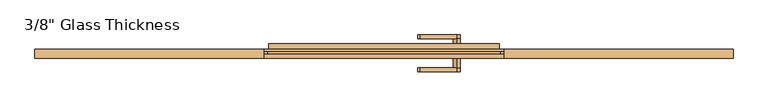
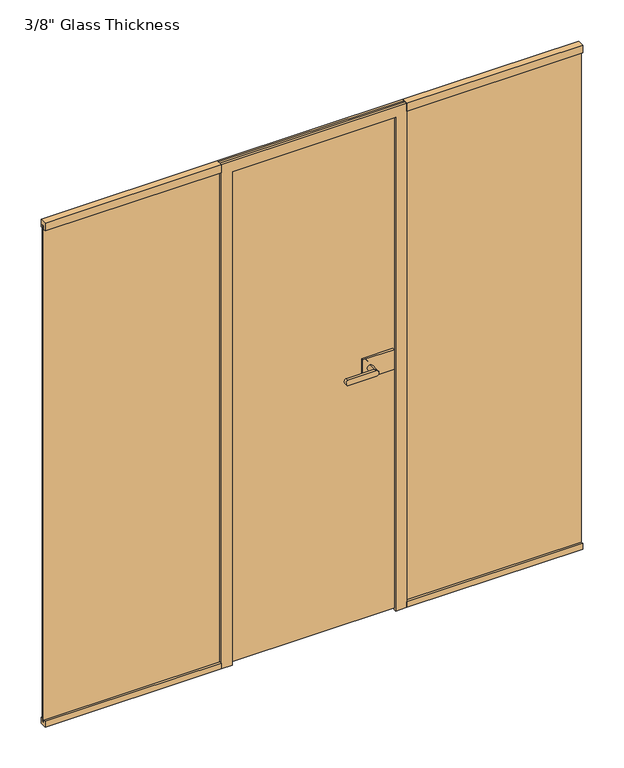
"""IFC4 building model written with IfcOpenShell, lengths in millimetres: door geometry."""

from ifc_helpers import new_model, si_unit, point, frame, frame_2d, origin, place, context, project, spatial, polyline, circle_curve, ellipse_curve, trimmed, segment, composite_curve, outline, extrude, faceted_brep, source, transform, mapped, element, save
from ifc_brep_helpers import plane_surface, cylinder_surface, extruded_surface, advanced_brep


def door_fad03670(model_context):
    return source(origin(), model_context, "Body", "SolidModel", [
        extrude(outline(composite_curve([segment(trimmed(circle_curve(frame_2d((1150.0, 242.0)), 11.9886308), [point((1161.9886308, 242.0))], [point((1138.0113692, 242.0))], False, "CARTESIAN"), True, "CONTINUOUS"), segment(trimmed(circle_curve(frame_2d((1150.0, 242.0)), 11.9886308), [point((1138.0113692, 242.0))], [point((1161.9886308, 242.0))], False, "CARTESIAN"), True, "CONTINUOUS")], self_intersect=False)), frame((0.0, -54.56, 0.0), z_axis=(0.0, 1.0, 0.0), x_axis=(0.0, 0.0, 1.0)), (0.0, 0.0, 1.0), 33.5),
        advanced_brep(
        [(242.0, -54.56, 1161.9886308), (242.0, -54.56, 1138.0113692), (120.3382074, -54.56, 1138.0113692), (120.3382074, -54.56, 1161.9886308), (242.0, -67.06, 1161.9886308), (120.3382074, -67.06, 1161.9886308), (120.3382074, -67.06, 1138.0113692), (242.0, -67.06, 1138.0113692)],
        [
            (0, 1, circle_curve(frame((242.0, -54.56, 1150.0), z_axis=(0.0, 1.0, 0.0), x_axis=(0.0, 0.0, -1.0)), 11.9886308)),
            (1, 2),
            (2, 3, ellipse_curve(frame((120.3382074, -54.56, 1150.0), z_axis=(0.0, 1.0, 0.0), x_axis=(0.0, 0.0, 1.0)), 11.9886308, 7.9050795)),
            (3, 0),
            (4, 5),
            (5, 6, ellipse_curve(frame((120.3382074, -67.06, 1150.0), z_axis=(0.0, -1.0, 0.0), x_axis=(0.0, 0.0, 1.0)), 11.9886308, 7.9050795)),
            (6, 7),
            (7, 4, circle_curve(frame((242.0, -67.06, 1150.0), z_axis=(0.0, -1.0, 0.0), x_axis=(0.0, 0.0, -1.0)), 11.9886308)),
            (3, 5),
            (4, 0),
            (2, 6),
            (1, 7),
        ],
        [
            plane_surface(frame((120.3382074, -54.56, 1161.9886308), z_axis=(0.0, 1.0, 0.0), x_axis=(-1.0, 0.0, 0.0))),
            plane_surface(frame((120.3382074, -67.06, 1161.9886308), z_axis=(0.0, -1.0, 0.0), x_axis=(1.0, 0.0, 0.0))),
            plane_surface(frame((242.0, -54.56, 1161.9886308), z_axis=(0.0, 0.0, 1.0), x_axis=(0.0, -1.0, 0.0))),
            extruded_surface(trimmed(ellipse_curve(frame((120.3382074, -67.06, 1150.0), z_axis=(0.0, -1.0, 0.0), x_axis=(0.0, 0.0, 1.0)), 11.9886308, 7.9050795), [point((120.3382074, -67.06, 1161.9886308))], [point((120.3382074, -67.06, 1138.0113692))], True, "CARTESIAN"), (0.0, -12.5, 0.0), 12.5),
            plane_surface(frame((120.3382074, -54.56, 1138.0113692), z_axis=(0.0, 0.0, -1.0), x_axis=(0.0, -1.0, 0.0))),
            cylinder_surface(frame((242.0, -67.06, 1150.0), z_axis=(0.0, 1.0, 0.0), x_axis=(0.0, 0.0, -1.0)), 11.9886308),
        ],
        [
            (0, [[1, 2, 3, 4]]),
            (1, [[5, 6, 7, 8]]),
            (2, [[9, -5, 10, -4]]),
            (3, [[11, -6, -9, -3]]),
            (4, [[12, -7, -11, -2]]),
            (5, [[-10, -8, -12, -1]]),
        ],
    ),
        extrude(outline(polyline([(346.0, -11.06), (346.0, -21.06), (212.0, -21.06), (212.0, -11.06), (346.0, -11.06)])), frame((0.0, 0.0, 1105.0), z_axis=(0.0, 0.0, 1.0), x_axis=(1.0, 0.0, 0.0)), (0.0, 0.0, 1.0), 90.0),
        extrude(outline(polyline([(362.0, 8.94), (362.0, -1.06), (212.0, -1.06), (212.0, 8.94), (362.0, 8.94)])), frame((0.0, 0.0, 1105.0), z_axis=(0.0, 0.0, 1.0), x_axis=(1.0, 0.0, 0.0)), (0.0, 0.0, 1.0), 90.0),
        advanced_brep(
        [(242.0, 8.94, 1161.9886308), (242.0, 8.94, 1138.0113692), (242.0, 42.4398825, 1161.9886308), (242.0, 42.4398825, 1138.0113692), (242.0, 54.9399695, 1161.9886308), (242.0, 54.9399695, 1138.0113692), (120.3382074, 54.9399695, 1138.0113692), (120.3382074, 54.9399695, 1161.9886308), (120.3382074, 42.4398825, 1161.9886308), (120.3382074, 42.4398825, 1138.0113692)],
        [
            (0, 1, circle_curve(frame((242.0, 8.94, 1150.0), z_axis=(0.0, -1.0, 0.0), x_axis=(0.0, 0.0, -1.0)), 11.9886308)),
            (1, 0, circle_curve(frame((242.0, 8.94, 1150.0), z_axis=(0.0, -1.0, 0.0), x_axis=(0.0, 0.0, -1.0)), 11.9886308)),
            (0, 2),
            (2, 3, circle_curve(frame((242.0, 42.4398825, 1150.0), z_axis=(0.0, -1.0, 0.0), x_axis=(0.0, 0.0, -1.0)), 11.9886308)),
            (3, 1),
            (3, 2, circle_curve(frame((242.0, 42.4398825, 1150.0), z_axis=(0.0, -1.0, 0.0), x_axis=(0.0, 0.0, -1.0)), 11.9886308)),
            (4, 5, circle_curve(frame((242.0, 54.9399695, 1150.0), z_axis=(0.0, 1.0, 0.0), x_axis=(0.0, 0.0, -1.0)), 11.9886308)),
            (5, 6),
            (6, 7, ellipse_curve(frame((120.3382074, 54.9399695, 1150.0), z_axis=(0.0, 1.0, 0.0), x_axis=(0.0, 0.0, 1.0)), 11.9886308, 7.9050795)),
            (7, 4),
            (2, 8),
            (8, 9, ellipse_curve(frame((120.3382074, 42.4398825, 1150.0), z_axis=(0.0, -1.0, 0.0), x_axis=(0.0, 0.0, 1.0)), 11.9886308, 7.9050795)),
            (9, 3),
            (7, 8),
            (2, 4),
            (6, 9),
            (5, 3),
        ],
        [
            plane_surface(frame((242.0, 8.94, 1138.0113692), z_axis=(0.0, -1.0, 0.0), x_axis=(-1.0, 0.0, 0.0))),
            cylinder_surface(frame((242.0, 8.94, 1150.0), z_axis=(0.0, 1.0, 0.0), x_axis=(0.0, 0.0, -1.0)), 11.9886308),
            plane_surface(frame((120.3382074, 54.9399695, 1161.9886308), z_axis=(0.0, 1.0, 0.0), x_axis=(-1.0, 0.0, 0.0))),
            plane_surface(frame((120.3382074, 42.4398825, 1161.9886308), z_axis=(0.0, -1.0, 0.0), x_axis=(1.0, 0.0, 0.0))),
            plane_surface(frame((242.0, 54.9399695, 1161.9886308), z_axis=(0.0, 0.0, 1.0), x_axis=(0.0, -1.0, 0.0))),
            extruded_surface(trimmed(ellipse_curve(frame((120.3382074, 42.4398825, 1150.0), z_axis=(0.0, -1.0, 0.0), x_axis=(0.0, 0.0, 1.0)), 11.9886308, 7.9050795), [point((120.3382074, 42.4398825, 1161.9886308))], [point((120.3382074, 42.4398825, 1138.0113692))], True, "CARTESIAN"), (0.0, -12.500087000000004, 0.0), 12.500087000000004),
            plane_surface(frame((120.3382074, 54.9399695, 1138.0113692), z_axis=(0.0, 0.0, -1.0), x_axis=(0.0, -1.0, 0.0))),
            cylinder_surface(frame((242.0, 42.4398825, 1150.0), z_axis=(0.0, 1.0, 0.0), x_axis=(0.0, 0.0, -1.0)), 11.9886308),
        ],
        [
            (0, [[1, 2]]),
            (1, [[3, 4, 5, -1]]),
            (1, [[-5, 6, -3, -2]]),
            (2, [[7, 8, 9, 10]]),
            (3, [[-4, 11, 12, 13]]),
            (4, [[14, -11, 15, -10]]),
            (5, [[16, -12, -14, -9]]),
            (6, [[17, -13, -16, -8]]),
            (7, [[-15, -6, -17, -7]]),
        ],
    ),
        extrude(outline(polyline([(1160.5, 0.0), (1160.5, -10.0), (386.0, -10.0), (386.0, 0.0), (1160.5, 0.0)])), frame((0.0, 0.0, 13.0), z_axis=(0.0, 0.0, 1.0), x_axis=(1.0, 0.0, 0.0)), (0.0, 0.0, 1.0), 2267.0),
        extrude(outline(polyline([(-22.06, 0.0), (-22.06, 26.0), (-12.0, 26.0), (-12.0, 13.0), (0.0, 13.0), (0.0, 26.0), (7.94, 26.0), (7.94, 0.0), (-22.06, 0.0)])), frame((400.0, 0.0, 0.0), z_axis=(1.0, 0.0, 0.0), x_axis=(0.0, 1.0, 0.0)), (0.0, 0.0, 1.0), 760.5),
        extrude(outline(polyline([(-22.06, 2300.0), (7.94, 2300.0), (7.94, 2265.0), (0.0, 2265.0), (0.0, 2280.0), (-12.0, 2280.0), (-12.0, 2265.0), (-22.06, 2265.0), (-22.06, 2300.0)])), frame((400.0, 0.0, 0.0), z_axis=(1.0, 0.0, 0.0), x_axis=(0.0, 1.0, 0.0)), (0.0, 0.0, 1.0), 760.5),
        extrude(outline(polyline([(-22.06, 0.0), (-22.06, 26.0), (-12.0, 26.0), (-12.0, 13.0), (0.0, 13.0), (0.0, 26.0), (7.94, 26.0), (7.94, 0.0), (-22.06, 0.0)])), frame((-1160.5, 0.0, 0.0), z_axis=(1.0, 0.0, 0.0), x_axis=(0.0, 1.0, 0.0)), (0.0, 0.0, 1.0), 760.5),
        extrude(outline(polyline([(-22.06, 2300.0), (7.94, 2300.0), (7.94, 2265.0), (0.0, 2265.0), (0.0, 2280.0), (-12.0, 2280.0), (-12.0, 2265.0), (-22.06, 2265.0), (-22.06, 2300.0)])), frame((-1160.5, 0.0, 0.0), z_axis=(1.0, 0.0, 0.0), x_axis=(0.0, 1.0, 0.0)), (0.0, 0.0, 1.0), 760.5),
        extrude(outline(polyline([(-1160.5, 0.0), (-386.0, 0.0), (-386.0, -8.0), (-1160.5, -8.0), (-1160.5, 0.0)])), frame((0.0, 0.0, 13.0), z_axis=(0.0, 0.0, 1.0), x_axis=(1.0, 0.0, 0.0)), (0.0, 0.0, 1.0), 2267.0),
        faceted_brep([(-365.9, -11.06, 0.0), (-353.0, -11.06, 0.0), (-353.0, -22.06, 0.0), (-400.0, -22.06, 0.0), (-400.0, -10.0, 0.0), (-386.0, -10.0, 0.0), (-386.0, 0.0, 0.0), (-400.0, 0.0, 0.0), (-400.0, 7.94, 0.0), (-383.0, 7.94, 0.0), (-383.0, 25.94, 0.0), (-365.9, 25.94, 0.0), (365.9, -11.06, 0.0), (365.9, 25.94, 0.0), (383.0, 25.94, 0.0), (383.0, 7.94, 0.0), (400.0, 7.94, 0.0), (400.0, 0.0, 0.0), (386.0, 0.0, 0.0), (386.0, -10.0, 0.0), (400.0, -10.0, 0.0), (400.0, -22.06, 0.0), (353.0, -22.06, 0.0), (353.0, -11.06, 0.0), (353.0, -22.06, 2253.0), (353.0, -11.06, 2253.0), (400.0, -10.0, 2300.0), (400.0, -22.06, 2300.0), (386.0, 0.0, 2286.0), (386.0, -10.0, 2286.0), (400.0, 7.94, 2300.0), (400.0, 0.0, 2300.0), (383.0, 25.94, 2283.0), (383.0, 7.94, 2283.0), (365.9, -11.06, 2265.9), (365.9, 25.94, 2265.9), (-365.9, -11.06, 2265.9), (-353.0, -11.06, 2253.0), (-353.0, -22.06, 2253.0), (-400.0, -22.06, 2300.0), (-400.0, -10.0, 2300.0), (-386.0, -10.0, 2286.0), (-386.0, 0.0, 2286.0), (-400.0, 0.0, 2300.0), (-400.0, 7.94, 2300.0), (-383.0, 7.94, 2283.0), (-383.0, 25.94, 2283.0), (-365.9, 25.94, 2265.9)], [[[0, 1, 2, 3, 4, 5, 6, 7, 8, 9, 10, 11]], [[12, 13, 14, 15, 16, 17, 18, 19, 20, 21, 22, 23]], [[24, 25, 23, 22]], [[26, 27, 21, 20]], [[28, 29, 19, 18]], [[30, 31, 17, 16]], [[32, 33, 15, 14]], [[34, 35, 13, 12]], [[1, 0, 36, 34, 12, 23, 25, 37]], [[2, 1, 37, 38]], [[3, 2, 38, 24, 22, 21, 27, 39]], [[4, 3, 39, 40]], [[5, 4, 40, 26, 20, 19, 29, 41]], [[6, 5, 41, 42]], [[7, 6, 42, 28, 18, 17, 31, 43]], [[8, 7, 43, 44]], [[9, 8, 44, 30, 16, 15, 33, 45]], [[10, 9, 45, 46]], [[11, 10, 46, 32, 14, 13, 35, 47]], [[0, 11, 47, 36]], [[38, 37, 25, 24]], [[40, 39, 27, 26]], [[42, 41, 29, 28]], [[44, 43, 31, 30]], [[46, 45, 33, 32]], [[36, 47, 35, 34]]]),
        extrude(outline(polyline([(362.0, -1.06), (362.0, -11.06), (-361.0, -11.06), (-361.0, -1.06), (362.0, -1.06)])), frame((0.0, 0.0, 7.0), z_axis=(0.0, 0.0, 1.0), x_axis=(1.0, 0.0, 0.0)), (0.0, 0.0, 1.0), 2255.0),
    ])


if __name__ == "__main__":
    model = new_model("IFC4")
    model_context = context("Model", 3, world=origin())
    ifc_project = project(units=[si_unit("LENGTHUNIT", "METRE", prefix="MILLI")], contexts=[model_context])
    site = spatial("IfcSite", under=ifc_project)
    building = spatial("IfcBuilding", under=site)
    placement = place(None, origin())
    door_shape = door_fad03670(model_context)
    element("IfcDoor", 1, ObjectType="3/8\" Glass Thickness", at=placement, inside=building, context=model_context, shape_type="MappedRepresentation", body=[
        mapped(door_shape, transform((0.0, 0.0, 0.0), x_axis=(1.0, 0.0, 0.0), y_axis=(0.0, 1.0, 0.0), z_axis=(0.0, 0.0, 1.0))),
    ])
    save(model, "model.ifc")
